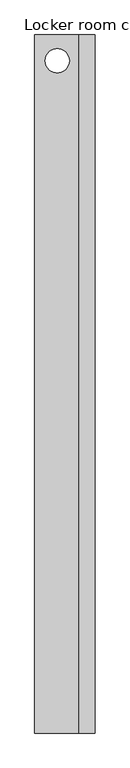
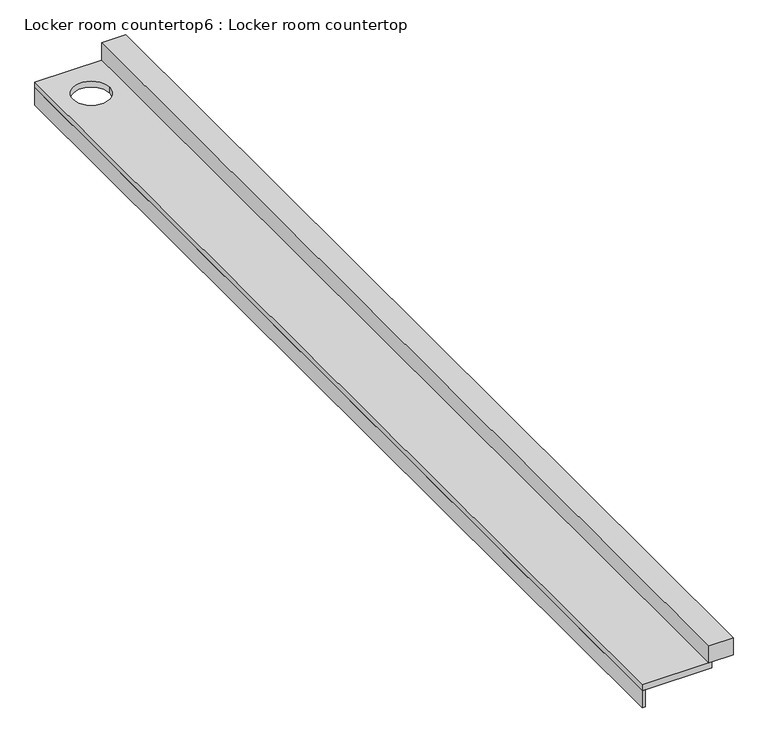
"""IFC4 building model written with IfcOpenShell, lengths in millimetres: furniture geometry, Locker room countertop6 : Locker room countertop."""

from ifc_helpers import new_model, si_unit, point, frame, frame_2d, origin, place, context, project, spatial, polyline, circle_curve, trimmed, segment, composite_curve, outline, extrude, source, transform, mapped, element, save


def locker_room_countertop6_locker_room_countertop_fc44a80d(model_context):
    return source(origin(), model_context, "Body", "SweptSolid", [
        extrude(outline(polyline([(451232.3754676, -349073.0080223), (451232.3754676, -340267.1455223), (451257.7754676, -340267.1455223), (451257.7754676, -349073.0080223), (451232.3754676, -349073.0080223)])), frame((0.0, 0.0, 660.4), z_axis=(0.0, 0.0, 1.0), x_axis=(1.0, 0.0, 0.0)), (0.0, 0.0, 1.0), 152.4),
        extrude(outline(polyline([(451791.1754676, -340267.1455223), (451994.3754676, -340267.1455223), (451994.3754676, -349073.0080223), (451791.1754676, -349073.0080223), (451791.1754676, -340267.1455223)])), frame((0.0, 0.0, 863.6), z_axis=(0.0, 0.0, 1.0), x_axis=(1.0, 0.0, 0.0)), (0.0, 0.0, 1.0), 152.4),
        extrude(outline(polyline([(451232.3754676, -340267.1455223), (451816.5754676, -340267.1455223), (451816.5754676, -349073.0080223), (451232.3754676, -349073.0080223), (451232.3754676, -340267.1455223)]), holes=[composite_curve([segment(trimmed(circle_curve(frame_2d((451516.6268302, -340593.253905)), 152.4), [point((451669.0268302, -340593.253905))], [point((451364.2268302, -340593.253905))], True, "CARTESIAN"), True, "CONTINUOUS"), segment(trimmed(circle_curve(frame_2d((451516.6268302, -340593.253905)), 152.4), [point((451364.2268302, -340593.253905))], [point((451669.0268302, -340593.253905))], True, "CARTESIAN"), True, "CONTINUOUS")], self_intersect=False)]), frame((0.0, 0.0, 812.8), z_axis=(0.0, 0.0, 1.0), x_axis=(1.0, 0.0, 0.0)), (0.0, 0.0, 1.0), 50.8),
    ])


if __name__ == "__main__":
    model = new_model("IFC4")
    model_context = context("Model", 3, world=origin())
    ifc_project = project(units=[si_unit("LENGTHUNIT", "METRE", prefix="MILLI")], contexts=[model_context])
    site = spatial("IfcSite", under=ifc_project)
    building = spatial("IfcBuilding", under=site)
    placement = place(None, origin())
    locker_room_countertop6_locker_room_countertop_shape = locker_room_countertop6_locker_room_countertop_fc44a80d(model_context)
    element("IfcFurniture", 1, ObjectType="Locker room countertop6 : Locker room countertop", at=placement, inside=building, context=model_context, shape_type="MappedRepresentation", body=[
        mapped(locker_room_countertop6_locker_room_countertop_shape, transform((0.0, 0.0, 0.0), x_axis=(1.0, 0.0, 0.0), y_axis=(0.0, 1.0, 0.0), z_axis=(0.0, 0.0, 1.0))),
    ])
    save(model, "model.ifc")
